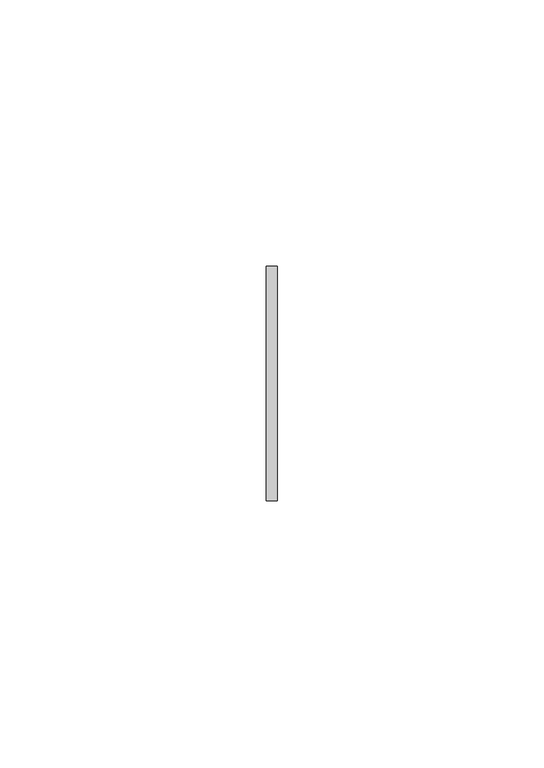
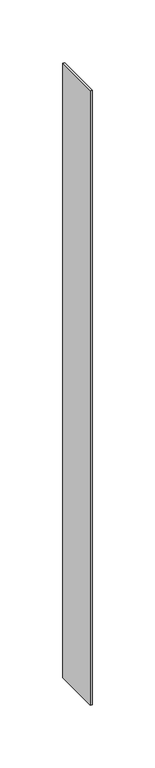
"""IFC4 building model written with IfcOpenShell, lengths in millimetres: member geometry."""

from ifc_helpers import new_model, si_unit, frame, origin, place, context, project, spatial, polyline, outline, extrude, source, transform, mapped, element, save


def member_3c2ad257(model_context):
    return source(origin(), model_context, "Body", "SweptSolid", [
        extrude(outline(polyline([(1.0, 22.0), (1.0, -22.0), (-1.0, -22.0), (-1.0, 22.0), (1.0, 22.0)])), frame((0.0, 0.0, -599.0), z_axis=(0.0, 0.0, 1.0), x_axis=(1.0, 0.0, 0.0)), (0.0, 0.0, 1.0), 599.0),
    ])


if __name__ == "__main__":
    model = new_model("IFC4")
    model_context = context("Model", 3, world=origin())
    ifc_project = project(units=[si_unit("LENGTHUNIT", "METRE", prefix="MILLI")], contexts=[model_context])
    site = spatial("IfcSite", under=ifc_project)
    building = spatial("IfcBuilding", under=site)
    placement = place(None, origin())
    member_shape = member_3c2ad257(model_context)
    element("IfcMember", 1, at=placement, inside=building, context=model_context, shape_type="MappedRepresentation", body=[
        mapped(member_shape, transform((0.0, 0.0, 0.0), x_axis=(1.0, 0.0, 0.0), y_axis=(0.0, 1.0, 0.0), z_axis=(0.0, 0.0, 1.0))),
    ])
    save(model, "model.ifc")
